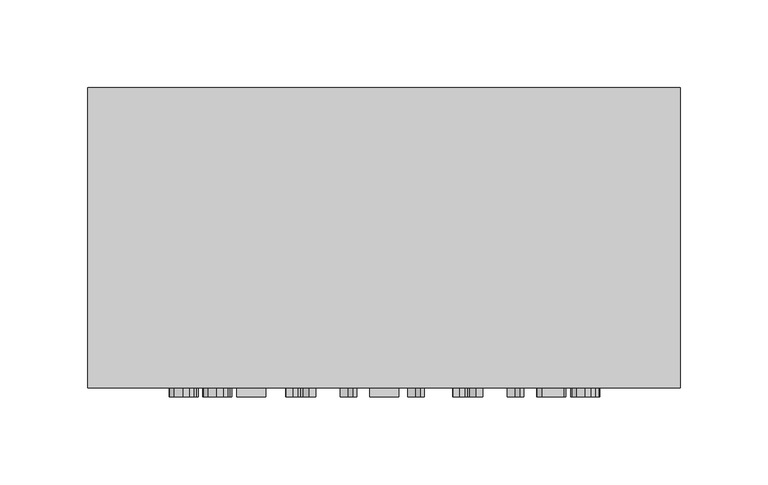
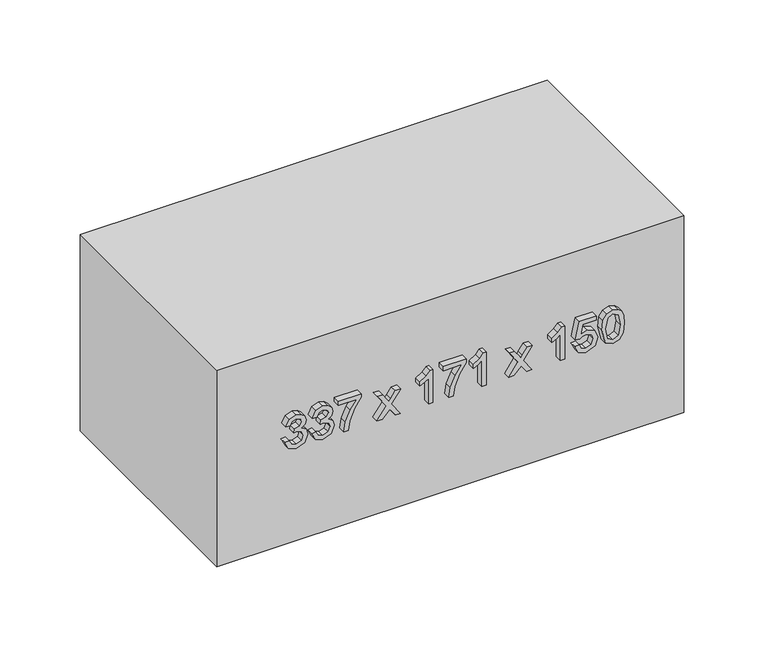
"""IFC4 building model written with IfcOpenShell, lengths in millimetres: furniture geometry."""

from ifc_helpers import new_model, si_unit, frame, origin, origin_with_axes, place, context, project, spatial, polyline, outline, extrude, source, transform, mapped, element, save


def furniture_c101b151(model_context):
    return source(origin(), model_context, "Body", "SweptSolid", [
        extrude(outline(polyline([(81.6709268, -77.5345978), (76.5757612, -75.0391316), (74.6075925, -69.5331644), (76.9129864, -63.4569801), (82.5293182, -61.0534844), (86.6128083, -62.2552323), (88.7587866, -65.6765349), (90.8373199, -63.1013609), (93.7313249, -62.2307068), (96.8981758, -63.1473461), (99.2526205, -65.7960965), (100.1140775, -69.5822154), (98.3666381, -74.5731478), (93.4431507, -77.1421904), (93.0507432, -74.0029307), (95.9937992, -72.4639577), (96.9748178, -69.4718508), (96.0029962, -66.5165321), (93.5473839, -65.3699665), (90.7760062, -66.9518591), (89.9114835, -71.0169551), (86.7722238, -71.366443), (87.1155804, -69.1652824), (85.8310591, -65.5968271), (82.5845005, -64.1927441), (79.1386724, -65.6090898), (77.7468522, -69.4227998), (78.7585277, -72.6632271), (82.0633343, -74.3953381), (81.6709268, -77.5345978)])), frame((0.0, -176.0, 0.0), z_axis=(0.0, 1.0, 0.0), x_axis=(0.0, 0.0, 1.0)), (0.0, 0.0, 1.0), 5.0),
        extrude(outline(polyline([(81.6709268, -58.3066322), (76.5757612, -55.811166), (74.6075925, -50.3051988), (76.9129864, -44.2290145), (82.5293182, -41.8255188), (86.6128083, -43.0272667), (88.7587866, -46.4485692), (90.8373199, -43.8733953), (93.7313249, -43.0027412), (96.8981758, -43.9193805), (99.2526205, -46.5681309), (100.1140775, -50.3542498), (98.3666381, -55.3451822), (93.4431507, -57.9142248), (93.0507432, -54.7749651), (95.9937992, -53.235992), (96.9748178, -50.2438852), (96.0029962, -47.2885665), (93.5473839, -46.1420009), (90.7760062, -47.7238935), (89.9114835, -51.7889895), (86.7722238, -52.1384774), (87.1155804, -49.9373168), (85.8310591, -46.3688615), (82.5845005, -44.9647785), (79.1386724, -46.3811242), (77.7468522, -50.1948342), (78.7585277, -53.4352615), (82.0633343, -55.1673725), (81.6709268, -58.3066322)])), frame((0.0, -176.0, 0.0), z_axis=(0.0, 1.0, 0.0), x_axis=(0.0, 0.0, 1.0)), (0.0, 0.0, 1.0), 5.0),
        extrude(outline(polyline([(96.5824104, -39.0786666), (96.5824104, -25.7368129), (90.0862275, -30.4824906), (82.0817284, -33.9068589), (75.0, -35.154592), (75.0, -32.0153323), (81.824211, -30.8503726), (90.429584, -27.2727202), (97.1832843, -22.5975532), (99.7216701, -22.5975532), (99.7216701, -39.0786666), (96.5824104, -39.0786666)])), frame((0.0, -176.0, 0.0), z_axis=(0.0, 1.0, 0.0), x_axis=(0.0, 0.0, 1.0)), (0.0, 0.0, 1.0), 5.0),
        extrude(outline(polyline([(75.0, -11.2177368), (75.0, -7.440815), (80.5734122, -1.9655047), (75.0, 1.8788622), (75.0, 5.655784), (84.2706263, -0.7331), (93.4431507, 5.9010387), (93.4431507, 2.1241169), (88.648422, -1.3462366), (86.9439021, -2.5786413), (89.0285667, -4.0011184), (93.4431507, -7.0484076), (93.4431507, -10.8253294), (84.2706263, -4.5100218), (75.0, -11.2177368)])), frame((0.0, -176.0, 0.0), z_axis=(0.0, 1.0, 0.0), x_axis=(0.0, 0.0, 1.0)), (0.0, 0.0, 1.0), 5.0),
        extrude(outline(polyline([(75.0, 29.2002317), (100.1140775, 29.2002317), (100.1140775, 27.1768807), (96.7724827, 24.3840433), (93.8355582, 19.7824526), (90.8679767, 19.7824526), (92.452935, 23.0872592), (94.5713221, 26.060972), (75.0, 26.060972), (75.0, 29.2002317)])), frame((0.0, -176.0, 0.0), z_axis=(0.0, 1.0, 0.0), x_axis=(0.0, 0.0, 1.0)), (0.0, 0.0, 1.0), 5.0),
        extrude(outline(polyline([(96.5824104, 36.6559735), (96.5824104, 49.9978272), (90.0862275, 45.2521494), (82.0817284, 41.8277812), (75.0, 40.5800481), (75.0, 43.7193078), (81.824211, 44.8842674), (90.429584, 48.4619198), (97.1832843, 53.1370869), (99.7216701, 53.1370869), (99.7216701, 36.6559735), (96.5824104, 36.6559735)])), frame((0.0, -176.0, 0.0), z_axis=(0.0, 1.0, 0.0), x_axis=(0.0, 0.0, 1.0)), (0.0, 0.0, 1.0), 5.0),
        extrude(outline(polyline([(75.0, 67.6561629), (100.1140775, 67.6561629), (100.1140775, 65.632812), (96.7724827, 62.8399745), (93.8355582, 58.2383839), (90.8679767, 58.2383839), (92.452935, 61.5431904), (94.5713221, 64.5169032), (75.0, 64.5169032), (75.0, 67.6561629)])), frame((0.0, -176.0, 0.0), z_axis=(0.0, 1.0, 0.0), x_axis=(0.0, 0.0, 1.0)), (0.0, 0.0, 1.0), 5.0),
        extrude(outline(polyline([(75.0, 83.7448689), (75.0, 87.5217907), (80.5734122, 92.997101), (75.0, 96.8414679), (75.0, 100.6183897), (84.2706263, 94.2295057), (93.4431507, 100.8636444), (93.4431507, 97.0867225), (88.648422, 93.6163691), (86.9439021, 92.3839644), (89.0285667, 90.9614873), (93.4431507, 87.9141981), (93.4431507, 84.1372763), (84.2706263, 90.4525839), (75.0, 83.7448689)])), frame((0.0, -176.0, 0.0), z_axis=(0.0, 1.0, 0.0), x_axis=(0.0, 0.0, 1.0)), (0.0, 0.0, 1.0), 5.0),
        extrude(outline(polyline([(75.0, 124.1628374), (100.1140775, 124.1628374), (100.1140775, 122.1394864), (96.7724827, 119.3466489), (93.8355582, 114.7450583), (90.8679767, 114.7450583), (92.452935, 118.0498649), (94.5713221, 121.0235777), (75.0, 121.0235777), (75.0, 124.1628374)])), frame((0.0, -176.0, 0.0), z_axis=(0.0, 1.0, 0.0), x_axis=(0.0, 0.0, 1.0)), (0.0, 0.0, 1.0), 5.0),
        extrude(outline(polyline([(81.6709268, 131.6185792), (76.5420387, 134.0680601), (74.6075925, 139.6077498), (77.6180935, 146.1315239), (83.4428918, 148.0996925), (89.2309018, 145.9138604), (91.4811134, 140.5458489), (89.6662289, 135.9534553), (96.5824104, 137.2962246), (96.5824104, 146.9224702), (99.7216701, 146.9224702), (99.7216701, 134.7578389), (86.7722238, 132.0109866), (86.3798164, 135.1502463), (87.7961621, 136.9130142), (88.3418537, 139.6690635), (86.9745589, 143.6452547), (83.2466881, 144.9604329), (79.2521027, 143.5563499), (77.7468522, 139.6200126), (78.8290384, 136.3397314), (82.0633343, 134.7578389), (81.6709268, 131.6185792)])), frame((0.0, -176.0, 0.0), z_axis=(0.0, 1.0, 0.0), x_axis=(0.0, 0.0, 1.0)), (0.0, 0.0, 1.0), 5.0),
        extrude(outline(polyline([(87.3547037, 150.8465448), (76.9988255, 153.3481423), (74.6075925, 159.0871015), (75.9840843, 163.6825607), (80.159545, 166.4140845), (87.3547037, 167.3276582), (93.256144, 166.7574411), (96.9717522, 165.2859131), (99.3047371, 162.7536587), (100.1140775, 159.0871015), (98.7467828, 154.5100363), (94.5805192, 151.7693154), (87.3547037, 150.8465448)]), holes=[polyline([(87.360835, 153.9858045), (95.2948234, 155.5063834), (96.9748178, 159.0503133), (95.0679628, 162.7659214), (87.360835, 164.1883985), (79.5709338, 162.7168705), (77.7468522, 159.0871015), (79.5648024, 155.4573324), (87.360835, 153.9858045)])]), frame((0.0, -176.0, 0.0), z_axis=(0.0, 1.0, 0.0), x_axis=(0.0, 0.0, 1.0)), (0.0, 0.0, 1.0), 5.0),
        extrude(outline(polyline([(213.2003264, 0.0), (213.2003264, -171.0), (-123.7996736, -171.0), (-123.7996736, 0.0), (213.2003264, 0.0)])), origin_with_axes(), (0.0, 0.0, 1.0), 150.0),
    ])


if __name__ == "__main__":
    model = new_model("IFC4")
    model_context = context("Model", 3, world=origin())
    ifc_project = project(units=[si_unit("LENGTHUNIT", "METRE", prefix="MILLI")], contexts=[model_context])
    site = spatial("IfcSite", under=ifc_project)
    building = spatial("IfcBuilding", under=site)
    placement = place(None, origin())
    furniture_shape = furniture_c101b151(model_context)
    element("IfcFurniture", 1, at=placement, inside=building, context=model_context, shape_type="MappedRepresentation", body=[
        mapped(furniture_shape, transform((0.0, 0.0, 0.0), x_axis=(1.0, 0.0, 0.0), y_axis=(0.0, 1.0, 0.0), z_axis=(0.0, 0.0, 1.0))),
    ])
    save(model, "model.ifc")
